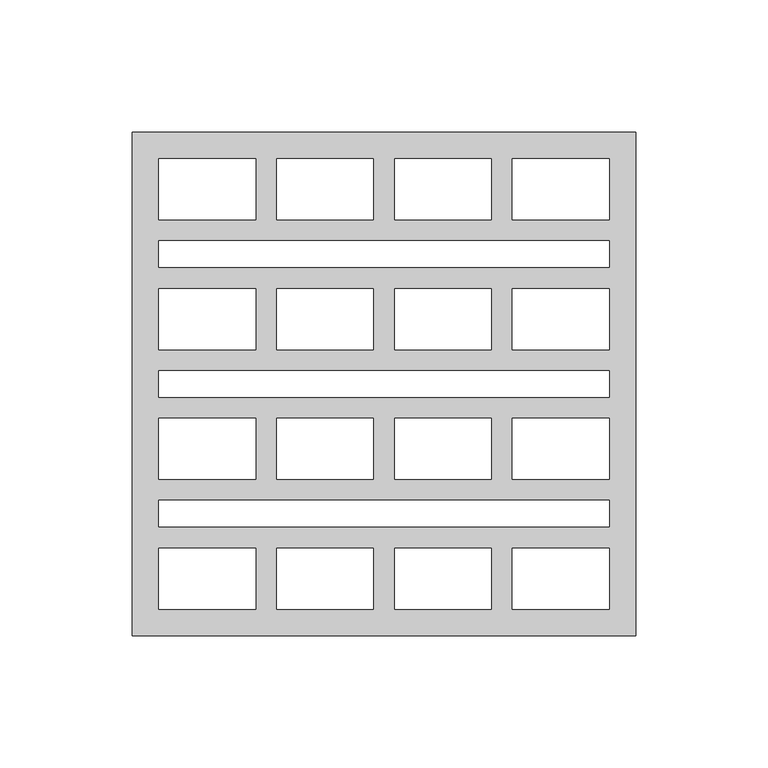
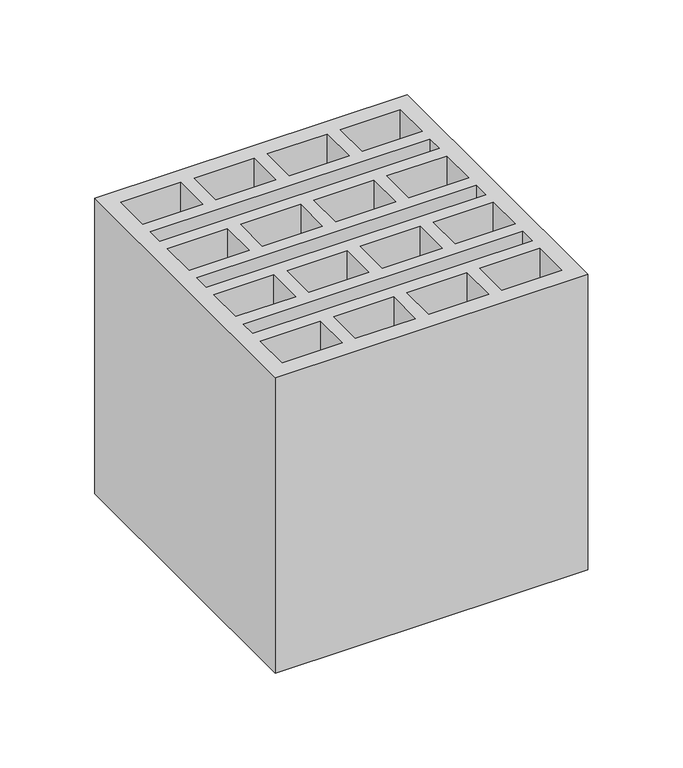
"""IFC4 building model written with IfcOpenShell, lengths in millimetres: proxy geometry."""

from ifc_helpers import new_model, si_unit, origin, origin_with_axes, place, context, project, spatial, polyline, outline, extrude, source, transform, mapped, element, save


def generic_models_7906f4b4(model_context):
    return source(origin(), model_context, "Body", "SweptSolid", [
        extrude(outline(polyline([(190.0, 0.0), (0.0, 0.0), (0.0, 190.0), (190.0, 190.0), (190.0, 0.0)]), holes=[polyline([(46.5, 10.0), (46.5, 33.0), (10.0, 33.0), (10.0, 10.0), (46.5, 10.0)]), polyline([(180.0, 51.0), (10.0, 51.0), (10.0, 41.0), (180.0, 41.0), (180.0, 51.0)]), polyline([(180.0, 139.0), (180.0, 149.0), (10.0, 149.0), (10.0, 139.0), (180.0, 139.0)]), polyline([(180.0, 90.0), (180.0, 100.0), (10.0, 100.0), (10.0, 90.0), (180.0, 90.0)]), polyline([(91.0, 10.0), (91.0, 33.0), (54.5, 33.0), (54.5, 10.0), (91.0, 10.0)]), polyline([(135.5, 10.0), (135.5, 33.0), (99.0, 33.0), (99.0, 10.0), (135.5, 10.0)]), polyline([(180.0, 10.0), (180.0, 33.0), (143.5, 33.0), (143.5, 10.0), (180.0, 10.0)]), polyline([(46.5, 82.0), (10.0, 82.0), (10.0, 59.0), (46.5, 59.0), (46.5, 82.0)]), polyline([(91.0, 82.0), (54.5, 82.0), (54.5, 59.0), (91.0, 59.0), (91.0, 82.0)]), polyline([(135.5, 82.0), (99.0, 82.0), (99.0, 59.0), (135.5, 59.0), (135.5, 82.0)]), polyline([(180.0, 82.0), (143.5, 82.0), (143.5, 59.0), (180.0, 59.0), (180.0, 82.0)]), polyline([(46.5, 180.0), (10.0, 180.0), (10.0, 157.0), (46.5, 157.0), (46.5, 180.0)]), polyline([(91.0, 180.0), (54.5, 180.0), (54.5, 157.0), (91.0, 157.0), (91.0, 180.0)]), polyline([(135.5, 180.0), (99.0, 180.0), (99.0, 157.0), (135.5, 157.0), (135.5, 180.0)]), polyline([(180.0, 180.0), (143.5, 180.0), (143.5, 157.0), (180.0, 157.0), (180.0, 180.0)]), polyline([(46.5, 108.0), (46.5, 131.0), (10.0, 131.0), (10.0, 108.0), (46.5, 108.0)]), polyline([(91.0, 108.0), (91.0, 131.0), (54.5, 131.0), (54.5, 108.0), (91.0, 108.0)]), polyline([(135.5, 108.0), (135.5, 131.0), (99.0, 131.0), (99.0, 108.0), (135.5, 108.0)]), polyline([(180.0, 108.0), (180.0, 131.0), (143.5, 131.0), (143.5, 108.0), (180.0, 108.0)])]), origin_with_axes(), (0.0, 0.0, 1.0), 190.0),
    ])


if __name__ == "__main__":
    model = new_model("IFC4")
    model_context = context("Model", 3, world=origin())
    ifc_project = project(units=[si_unit("LENGTHUNIT", "METRE", prefix="MILLI")], contexts=[model_context])
    site = spatial("IfcSite", under=ifc_project)
    building = spatial("IfcBuilding", under=site)
    placement = place(None, origin())
    generic_models_shape = generic_models_7906f4b4(model_context)
    element("IfcBuildingElementProxy", 1, Name="Generic Models", at=placement, inside=building, context=model_context, shape_type="MappedRepresentation", body=[
        mapped(generic_models_shape, transform((0.0, 0.0, 0.0), x_axis=(1.0, 0.0, 0.0), y_axis=(0.0, 1.0, 0.0), z_axis=(0.0, 0.0, 1.0))),
    ])
    save(model, "model.ifc")
